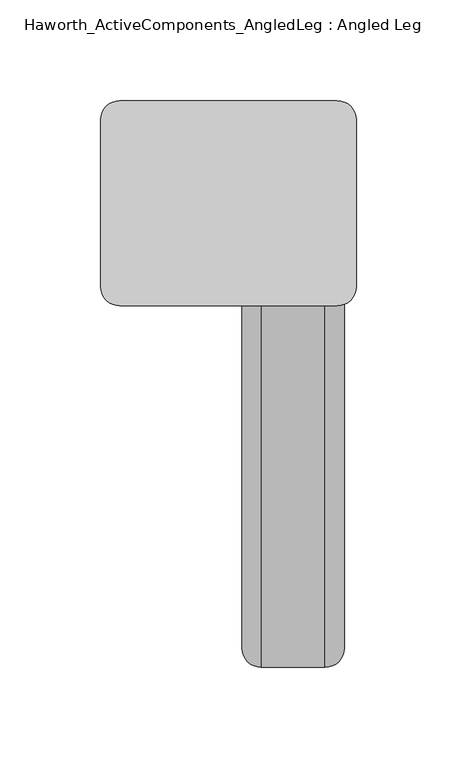
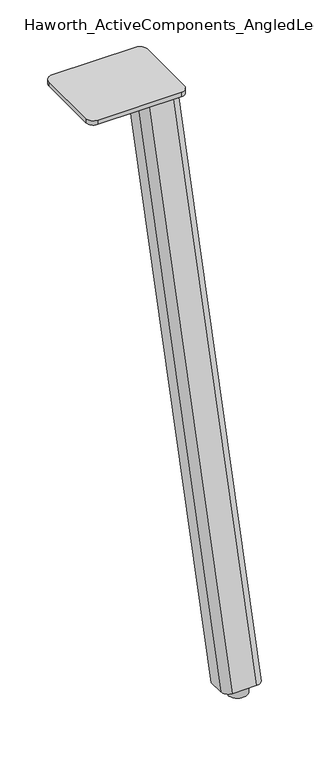
"""IFC4 building model written with IfcOpenShell, lengths in millimetres: furniture geometry, Haworth_ActiveComponents_AngledLeg : Angled Leg."""

from ifc_helpers import new_model, si_unit, point, frame, frame_2d, origin, origin_with_axes, place, context, project, spatial, polyline, circle_curve, trimmed, segment, composite_curve, outline, extrude, source, transform, mapped, element, save
from ifc_brep_helpers import plane_surface, extruded_surface, advanced_brep


def haworth_activecomponents_angledleg_angled_leg_1466f65e(model_context):
    return source(origin(), model_context, "Body", "SolidModel", [
        extrude(outline(composite_curve([segment(trimmed(circle_curve(frame_2d((0.0, 15.875)), 12.7), [point((-12.7, 15.875))], [point((12.7, 15.875))], False, "CARTESIAN"), True, "CONTINUOUS"), segment(trimmed(circle_curve(frame_2d((0.0, 15.875)), 12.7), [point((12.7, 15.875))], [point((-12.7, 15.875))], False, "CARTESIAN"), True, "CONTINUOUS")], self_intersect=False)), origin_with_axes(), (0.0, 0.0, 1.0), 12.7),
        extrude(outline(composite_curve([segment(trimmed(circle_curve(frame_2d((21.844, 271.4625)), 9.525), [point((21.844, 280.9875))], [point((31.369, 271.4625))], False, "CARTESIAN"), True, "CONTINUOUS"), segment(polyline([(31.369, 271.4625), (31.369, 188.7891306)]), True, "CONTINUOUS"), segment(trimmed(circle_curve(frame_2d((21.844, 188.7891306)), 9.525), [point((31.369, 188.7891306))], [point((21.844, 179.2641306))], False, "CARTESIAN"), True, "CONTINUOUS"), segment(polyline([(21.844, 179.2641306), (-86.1059996, 179.2641306)]), True, "CONTINUOUS"), segment(trimmed(circle_curve(frame_2d((-86.1059996, 188.7891306)), 9.525), [point((-86.1059996, 179.2641306))], [point((-95.6309996, 188.7891306))], False, "CARTESIAN"), True, "CONTINUOUS"), segment(polyline([(-95.6309996, 188.7891306), (-95.6309996, 271.4625)]), True, "CONTINUOUS"), segment(trimmed(circle_curve(frame_2d((-86.1059996, 271.4625)), 9.525), [point((-95.6309996, 271.4625))], [point((-86.1059996, 280.9875))], False, "CARTESIAN"), True, "CONTINUOUS"), segment(polyline([(-86.1059996, 280.9875), (21.844, 280.9875)]), True, "CONTINUOUS")], self_intersect=False)), frame((0.0, 0.0, 705.2055742), z_axis=(0.0, 0.0, 1.0), x_axis=(1.0, 0.0, 0.0)), (0.0, 0.0, 1.0), 5.9944258),
        advanced_brep(
        [(15.875, 186.4882907, 705.2055742), (25.4, 196.0132907, 705.2055742), (25.4, 216.6507907, 705.2055742), (-25.4, 216.6507907, 705.2055742), (-25.4, 196.0132907, 705.2055742), (-15.875, 186.4882907, 705.2055742), (15.875, 0.0, 12.7), (-15.875, 0.0, 12.7), (-25.4, 9.525, 12.7), (-25.4, 30.1625, 12.7), (25.4, 30.1625, 12.7), (25.4, 9.525, 12.7)],
        [
            (0, 1, circle_curve(frame((15.875, 196.0132907, 705.2055742), z_axis=(0.0, 0.0, 1.0), x_axis=(1.0, 0.0, 0.0)), 9.525)),
            (1, 2),
            (2, 3),
            (3, 4),
            (4, 5, circle_curve(frame((-15.875, 196.0132907, 705.2055742), z_axis=(0.0, 0.0, 1.0), x_axis=(1.0, 0.0, 0.0)), 9.525)),
            (5, 0),
            (6, 7),
            (7, 8, circle_curve(frame((-15.875, 9.525, 12.7), z_axis=(0.0, 0.0, -1.0), x_axis=(1.0, 0.0, 0.0)), 9.525)),
            (8, 9),
            (9, 10),
            (10, 11),
            (11, 6, circle_curve(frame((15.875, 9.525, 12.7), z_axis=(0.0, 0.0, -1.0), x_axis=(1.0, 0.0, 0.0)), 9.525)),
            (11, 1),
            (0, 6),
            (10, 2),
            (9, 3),
            (8, 4),
            (7, 5),
        ],
        [
            plane_surface(frame((0.0, 199.7174574, 705.2055742), z_axis=(0.0, 0.0, 1.0), x_axis=(-1.0, 0.0, 0.0))),
            plane_surface(frame((0.0, 13.2291667, 12.7), z_axis=(0.0, 0.0, -1.0), x_axis=(-1.0, 0.0, 0.0))),
            extruded_surface(trimmed(circle_curve(frame((15.875, 9.525, 12.7), z_axis=(0.0, 0.0, 1.0), x_axis=(1.0, 0.0, 0.0)), 9.525), [point((15.875, 0.0, 12.7))], [point((25.4, 9.525, 12.7))], True, "CARTESIAN"), (0.0, 186.4882907, 692.5055742), 717.1763052878136),
            plane_surface(frame((25.4, 19.84375, 12.7), z_axis=(1.0, 0.0, 0.0), x_axis=(0.0, 1.0, 0.0))),
            plane_surface(frame((0.0, 30.1625, 12.7), z_axis=(0.0, 0.9656001865922422, -0.260031305140414), x_axis=(-1.0, 0.0, 0.0))),
            plane_surface(frame((-25.4, 19.84375, 12.7), z_axis=(-1.0, 0.0, 0.0), x_axis=(0.0, -1.0, 0.0))),
            extruded_surface(trimmed(circle_curve(frame((-15.875, 9.525, 12.7), z_axis=(0.0, 0.0, 1.0), x_axis=(1.0, 0.0, 0.0)), 9.525), [point((-25.4, 9.525, 12.7))], [point((-15.875, 0.0, 12.7))], True, "CARTESIAN"), (0.0, 186.4882907, 692.5055742), 717.1763052878136),
            plane_surface(frame((0.0, 0.0, 12.7), z_axis=(0.0, -0.9656001865922422, 0.260031305140414), x_axis=(1.0, 0.0, 0.0))),
        ],
        [
            (0, [[1, 2, 3, 4, 5, 6]]),
            (1, [[7, 8, 9, 10, 11, 12]]),
            (2, [[-12, 13, -1, 14]]),
            (3, [[-11, 15, -2, -13]]),
            (4, [[-10, 16, -3, -15]]),
            (5, [[-9, 17, -4, -16]]),
            (6, [[-8, 18, -5, -17]]),
            (7, [[-7, -14, -6, -18]]),
        ],
    ),
    ])


if __name__ == "__main__":
    model = new_model("IFC4")
    model_context = context("Model", 3, world=origin())
    ifc_project = project(units=[si_unit("LENGTHUNIT", "METRE", prefix="MILLI")], contexts=[model_context])
    site = spatial("IfcSite", under=ifc_project)
    building = spatial("IfcBuilding", under=site)
    placement = place(None, origin())
    haworth_activecomponents_angledleg_angled_leg_shape = haworth_activecomponents_angledleg_angled_leg_1466f65e(model_context)
    element("IfcFurniture", 1, ObjectType="Haworth_ActiveComponents_AngledLeg : Angled Leg", at=placement, inside=building, context=model_context, shape_type="MappedRepresentation", body=[
        mapped(haworth_activecomponents_angledleg_angled_leg_shape, transform((0.0, 0.0, 0.0), x_axis=(1.0, 0.0, 0.0), y_axis=(0.0, 1.0, 0.0), z_axis=(0.0, 0.0, 1.0))),
    ])
    save(model, "model.ifc")
